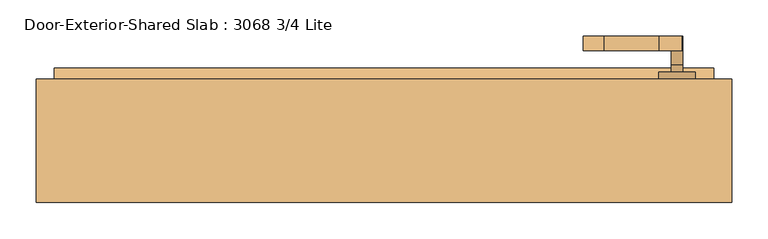
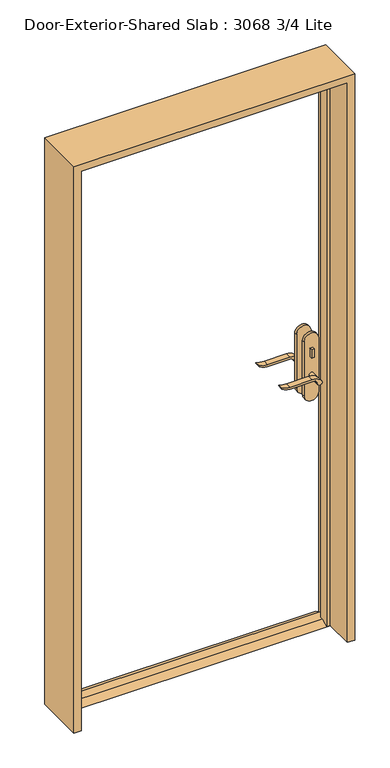
"""IFC4 building model written with IfcOpenShell, lengths in millimetres: door geometry, Door-Exterior-Shared Slab : 3068 3/4 Lite."""

from ifc_helpers import new_model, si_unit, point, frame, frame_2d, origin, place, context, project, spatial, polyline, circle_curve, trimmed, segment, composite_curve, outline, extrude, faceted_brep, source, transform, mapped, element, save


def door_exterior_shared_slab_3068_3_4_lite_c13c8f7d(model_context):
    return source(origin(), model_context, "Body", "SolidModel", [
        extrude(outline(polyline([(38.1, 12.7), (73.025, 12.7), (98.425, 0.0), (12.7, 0.0), (38.1, 12.7)])), frame((-457.2, 0.0, 0.0), z_axis=(1.0, 0.0, 0.0), x_axis=(0.0, 1.0, 0.0)), (0.0, 0.0, 1.0), 914.4),
        extrude(outline(polyline([(411.4, 27.625), (401.4, 27.625), (401.4, 37.625), (411.4, 37.625), (411.4, 27.625)])), frame((0.0, 0.0, 981.9), z_axis=(0.0, 0.0, 1.0), x_axis=(1.0, 0.0, 0.0)), (0.0, 0.0, 1.0), 30.0),
        extrude(outline(composite_curve([segment(trimmed(circle_curve(frame_2d((996.9, 406.4)), 8.0), [point((996.9, 398.4))], [point((996.9, 414.4))], False, "CARTESIAN"), True, "CONTINUOUS"), segment(trimmed(circle_curve(frame_2d((996.9, 406.4)), 8.0), [point((996.9, 414.4))], [point((996.9, 398.4))], False, "CARTESIAN"), True, "CONTINUOUS")], self_intersect=False)), frame((0.0, 92.55, 0.0), z_axis=(0.0, 1.0, 0.0), x_axis=(0.0, 0.0, 1.0)), (0.0, 0.0, 1.0), 10.0),
        extrude(outline(composite_curve([segment(trimmed(circle_curve(frame_2d((897.1555521, 382.7324871)), 37.2832219), [point((919.0523287, 412.9081363))], [point((934.4, 381.0325667))], False, "CARTESIAN"), True, "CONTINUOUS"), segment(polyline([(934.4, 381.0325667), (934.4, 304.7564091)]), True, "CONTINUOUS"), segment(trimmed(circle_curve(frame_2d((1017.6850638, 304.8227909)), 83.2850902), [point((934.4, 304.7564091))], [point((939.4, 276.4))], True, "CARTESIAN"), True, "CONTINUOUS"), segment(polyline([(939.4, 276.4), (936.6135558, 276.4)]), True, "CONTINUOUS"), segment(trimmed(circle_curve(frame_2d((986.6709207, 308.3396612)), 59.3791355), [point((936.6135558, 276.4))], [point((927.4, 304.7564091))], False, "CARTESIAN"), True, "CONTINUOUS"), segment(polyline([(927.4, 304.7564091), (927.4, 381.0138099)]), True, "CONTINUOUS"), segment(trimmed(circle_curve(frame_2d((909.2738613, 381.0138099)), 18.1261387), [point((927.4, 381.0138099))], [point((914.4, 398.4))], True, "CARTESIAN"), True, "CONTINUOUS"), segment(trimmed(circle_curve(frame_2d((914.4, 406.4)), 8.0), [point((914.4, 398.4))], [point((919.0523287, 412.9081363))], False, "CARTESIAN"), True, "CONTINUOUS")], self_intersect=False)), frame((0.0, -12.375, 0.0), z_axis=(0.0, 1.0, 0.0), x_axis=(0.0, 0.0, 1.0)), (0.0, 0.0, 1.0), 20.0),
        extrude(outline(composite_curve([segment(trimmed(circle_curve(frame_2d((914.4, 406.4)), 8.0), [point((914.3999903, 398.4))], [point((919.0523287, 412.9081363))], False, "CARTESIAN"), True, "CONTINUOUS"), segment(trimmed(circle_curve(frame_2d((897.1555521, 382.7324871)), 37.2832219), [point((919.0523287, 412.9081363))], [point((934.4, 381.0325667))], False, "CARTESIAN"), True, "CONTINUOUS"), segment(polyline([(934.4, 381.0325667), (934.4, 304.7564091)]), True, "CONTINUOUS"), segment(trimmed(circle_curve(frame_2d((1017.6850638, 304.8227909)), 83.2850902), [point((934.4, 304.7564091))], [point((939.4, 276.4))], True, "CARTESIAN"), True, "CONTINUOUS"), segment(polyline([(939.4, 276.4), (936.6135558, 276.4)]), True, "CONTINUOUS"), segment(trimmed(circle_curve(frame_2d((986.6709207, 308.3396612)), 59.3791355), [point((936.6135558, 276.4))], [point((927.4, 304.7564091))], False, "CARTESIAN"), True, "CONTINUOUS"), segment(polyline([(927.4, 304.7564091), (927.4, 381.0138122)]), True, "CONTINUOUS"), segment(trimmed(circle_curve(frame_2d((909.2738682, 381.0138122)), 18.1261318), [point((927.4, 381.0138122))], [point((914.3999903, 398.4))], True, "CARTESIAN"), True, "CONTINUOUS")], self_intersect=False)), frame((0.0, 122.55, 0.0), z_axis=(0.0, 1.0, 0.0), x_axis=(0.0, 0.0, 1.0)), (0.0, 0.0, 1.0), 20.0),
        extrude(outline(composite_curve([segment(trimmed(circle_curve(frame_2d((914.4, 406.4)), 8.0), [point((914.4, 398.4))], [point((914.4, 414.4))], False, "CARTESIAN"), True, "CONTINUOUS"), segment(trimmed(circle_curve(frame_2d((914.4, 406.4)), 8.0), [point((914.4, 414.4))], [point((914.4, 398.4))], False, "CARTESIAN"), True, "CONTINUOUS")], self_intersect=False)), frame((0.0, 7.625, 0.0), z_axis=(0.0, 1.0, 0.0), x_axis=(0.0, 0.0, 1.0)), (0.0, 0.0, 1.0), 30.0),
        extrude(outline(composite_curve([segment(trimmed(circle_curve(frame_2d((914.4, 406.4)), 8.0), [point((914.4, 398.4))], [point((914.4, 414.4))], False, "CARTESIAN"), True, "CONTINUOUS"), segment(trimmed(circle_curve(frame_2d((914.4, 406.4)), 8.0), [point((914.4, 414.4))], [point((914.4, 398.4))], False, "CARTESIAN"), True, "CONTINUOUS")], self_intersect=False)), frame((0.0, 92.55, 0.0), z_axis=(0.0, 1.0, 0.0), x_axis=(0.0, 0.0, 1.0)), (0.0, 0.0, 1.0), 30.0),
        extrude(outline(composite_curve([segment(polyline([(844.4, 431.4), (1039.4, 431.4)]), True, "CONTINUOUS"), segment(trimmed(circle_curve(frame_2d((1039.4, 406.4)), 25.0), [point((1039.4, 431.4))], [point((1039.4, 381.4))], False, "CARTESIAN"), True, "CONTINUOUS"), segment(polyline([(1039.4, 381.4), (844.4, 381.4)]), True, "CONTINUOUS"), segment(trimmed(circle_curve(frame_2d((844.4, 406.4)), 25.0), [point((844.4, 381.4))], [point((844.4, 431.4))], False, "CARTESIAN"), True, "CONTINUOUS")], self_intersect=False)), frame((0.0, 37.625, 0.0), z_axis=(0.0, 1.0, 0.0), x_axis=(0.0, 0.0, 1.0)), (0.0, 0.0, 1.0), 10.0),
        extrude(outline(composite_curve([segment(polyline([(844.4, 431.4), (1039.4, 431.4)]), True, "CONTINUOUS"), segment(trimmed(circle_curve(frame_2d((1039.4, 406.4)), 25.0), [point((1039.4, 431.4))], [point((1039.4, 381.4))], False, "CARTESIAN"), True, "CONTINUOUS"), segment(polyline([(1039.4, 381.4), (844.4, 381.4)]), True, "CONTINUOUS"), segment(trimmed(circle_curve(frame_2d((844.4, 406.4)), 25.0), [point((844.4, 381.4))], [point((844.4, 431.4))], False, "CARTESIAN"), True, "CONTINUOUS")], self_intersect=False)), frame((0.0, 82.55, 0.0), z_axis=(0.0, 1.0, 0.0), x_axis=(0.0, 0.0, 1.0)), (0.0, 0.0, 1.0), 10.0),
        faceted_brep([(482.6, 82.55, 0.0), (482.6, -88.9, 0.0), (457.2, -88.9, 0.0), (457.2, 12.7, 0.0), (444.5, 12.7, 0.0), (444.5, 47.625, 0.0), (457.2, 47.625, 0.0), (457.2, 82.55, 0.0), (482.6, 82.55, 2057.4), (482.6, -88.9, 2057.4), (-482.6, -88.9, 2057.4), (-482.6, -88.9, 0.0), (-457.2, -88.9, 0.0), (-457.2, -88.9, 2032.0), (457.2, -88.9, 2032.0), (457.2, 12.7, 2032.0), (-457.2, 12.7, 2032.0), (-457.2, 12.7, 0.0), (-444.5, 12.7, 0.0), (-444.5, 12.7, 2019.3), (444.5, 12.7, 2019.3), (444.5, 47.625, 2019.3), (-444.5, 47.625, 2019.3), (-444.5, 47.625, 0.0), (-457.2, 47.625, 0.0), (-457.2, 47.625, 2032.0), (457.2, 47.625, 2032.0), (457.2, 82.55, 2032.0), (-457.2, 82.55, 2032.0), (-457.2, 82.55, 0.0), (-482.6, 82.55, 0.0), (-482.6, 82.55, 2057.4)], [[[0, 1, 2, 3, 4, 5, 6, 7]], [[1, 0, 8, 9]], [[2, 1, 9, 10, 11, 12, 13, 14]], [[3, 2, 14, 15]], [[4, 3, 15, 16, 17, 18, 19, 20]], [[5, 4, 20, 21]], [[6, 5, 21, 22, 23, 24, 25, 26]], [[7, 6, 26, 27]], [[0, 7, 27, 28, 29, 30, 31, 8]], [[9, 8, 31, 10]], [[15, 14, 13, 16]], [[21, 20, 19, 22]], [[27, 26, 25, 28]], [[30, 29, 24, 23, 18, 17, 12, 11]], [[10, 31, 30, 11]], [[16, 13, 12, 17]], [[22, 19, 18, 23]], [[28, 25, 24, 29]]]),
    ])


if __name__ == "__main__":
    model = new_model("IFC4")
    model_context = context("Model", 3, world=origin())
    ifc_project = project(units=[si_unit("LENGTHUNIT", "METRE", prefix="MILLI")], contexts=[model_context])
    site = spatial("IfcSite", under=ifc_project)
    building = spatial("IfcBuilding", under=site)
    placement = place(None, origin())
    door_exterior_shared_slab_3068_3_4_lite_shape = door_exterior_shared_slab_3068_3_4_lite_c13c8f7d(model_context)
    element("IfcDoor", 1, ObjectType="Door-Exterior-Shared Slab : 3068 3/4 Lite", at=placement, inside=building, context=model_context, shape_type="MappedRepresentation", body=[
        mapped(door_exterior_shared_slab_3068_3_4_lite_shape, transform((0.0, 0.0, 0.0), x_axis=(1.0, 0.0, 0.0), y_axis=(0.0, 1.0, 0.0), z_axis=(0.0, 0.0, 1.0))),
    ])
    save(model, "model.ifc")
